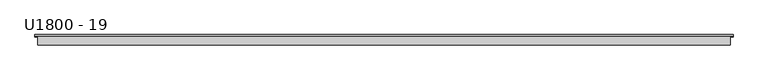
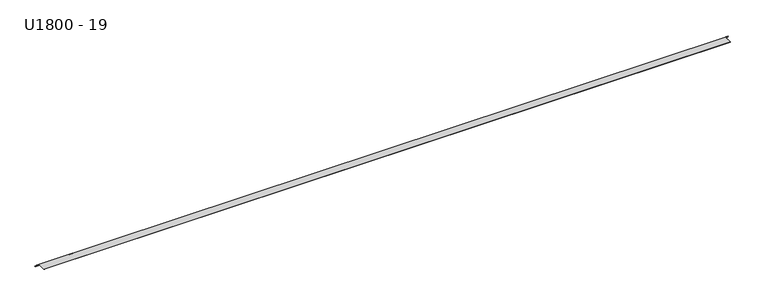
"""IFC4 building model written with IfcOpenShell, lengths in millimetres: proxy geometry, U1800 - 19."""

from ifc_helpers import new_model, si_unit, origin, place, context, project, spatial, faceted_brep, source, transform, mapped, element, save


def u1800_19_c1553c50(model_context):
    return source(origin(), model_context, "Body", "Brep", [
        faceted_brep([(-868.1, 10.5, 1.0), (-868.1, 9.7339556, 0.3572124), (-868.1, 10.0336923, 0.0), (-868.1, 9.5673847, 0.0), (-868.1, 9.5673847, 1.0), (-868.1, -10.5, 0.0), (-868.1, -10.5, 1.0), (-875.5, 9.7339556, 0.3572124), (-875.5, 14.8762564, -5.7711432), (875.3, 14.8762564, -5.7711432), (875.3, 9.7339556, 0.3572124), (868.9, 9.7339556, 0.3572124), (868.9, 10.3334291, -0.3572124), (867.9, 10.3334291, -0.3572124), (867.9, 10.0336923, 0.0), (-875.5, 10.5, 1.0), (867.9, 10.5, 1.0), (867.9, 11.0994736, 0.2855752), (868.9, 11.0994736, 0.2855752), (868.9, 10.5, 1.0), (875.3, 10.5, 1.0), (875.3, 15.6423009, -5.1283555), (-875.5, 15.6423009, -5.1283555), (867.9, -10.5, 0.0), (867.9, -10.5, 1.0)], [[[0, 1, 2, 3, 4]], [[4, 3, 5, 6]], [[1, 7, 8, 9, 10, 11, 12, 13, 14, 2]], [[15, 0, 16, 17, 18, 19, 20, 21, 22]], [[3, 2, 14, 23, 5]], [[23, 14, 13, 17, 16, 24]], [[24, 16, 0, 4, 6]], [[20, 19, 11, 10]], [[21, 20, 10, 9]], [[18, 17, 13, 12]], [[19, 18, 12, 11]], [[15, 22, 8, 7]], [[0, 15, 7, 1]], [[22, 21, 9, 8]], [[24, 6, 5, 23]]]),
    ])


if __name__ == "__main__":
    model = new_model("IFC4")
    model_context = context("Model", 3, world=origin())
    ifc_project = project(units=[si_unit("LENGTHUNIT", "METRE", prefix="MILLI")], contexts=[model_context])
    site = spatial("IfcSite", under=ifc_project)
    building = spatial("IfcBuilding", under=site)
    placement = place(None, origin())
    u1800_19_shape = u1800_19_c1553c50(model_context)
    element("IfcBuildingElementProxy", 1, Name="U1800 - 19", ObjectType="U1800 - 19", at=placement, inside=building, context=model_context, shape_type="MappedRepresentation", body=[
        mapped(u1800_19_shape, transform((0.0, 0.0, 0.0), x_axis=(1.0, 0.0, 0.0), y_axis=(0.0, 1.0, 0.0), z_axis=(0.0, 0.0, 1.0))),
    ])
    save(model, "model.ifc")
